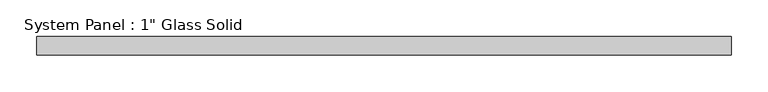
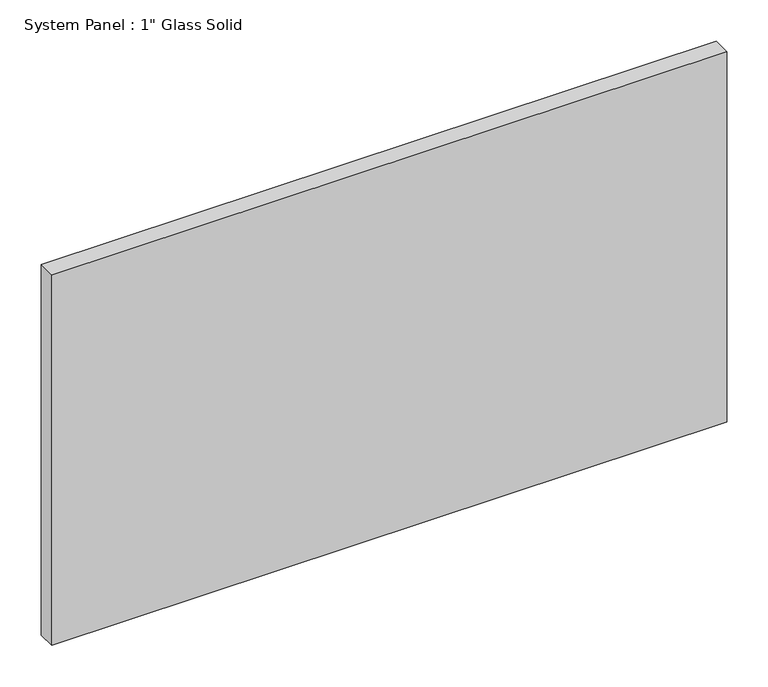
"""IFC4 building model written with IfcOpenShell, lengths in millimetres: plate geometry."""

from ifc_helpers import new_model, si_unit, origin, origin_with_axes, place, context, project, spatial, polyline, outline, extrude, source, transform, mapped, element, save


def plate_94d77fa6(model_context):
    return source(origin(), model_context, "Body", "SweptSolid", [
        extrude(outline(polyline([(473.0767704, -12.7), (-473.0767704, -12.7), (-473.0767704, 12.7), (473.0767704, 12.7), (473.0767704, -12.7)])), origin_with_axes(), (0.0, 0.0, 1.0), 549.2785408),
    ])


if __name__ == "__main__":
    model = new_model("IFC4")
    model_context = context("Model", 3, world=origin())
    ifc_project = project(units=[si_unit("LENGTHUNIT", "METRE", prefix="MILLI")], contexts=[model_context])
    site = spatial("IfcSite", under=ifc_project)
    building = spatial("IfcBuilding", under=site)
    placement = place(None, origin())
    plate_shape = plate_94d77fa6(model_context)
    element("IfcPlate", 1, ObjectType="System Panel : 1\" Glass Solid", at=placement, inside=building, context=model_context, shape_type="MappedRepresentation", body=[
        mapped(plate_shape, transform((0.0, 0.0, 0.0), x_axis=(1.0, 0.0, 0.0), y_axis=(0.0, 1.0, 0.0), z_axis=(0.0, 0.0, 1.0))),
    ])
    save(model, "model.ifc")
